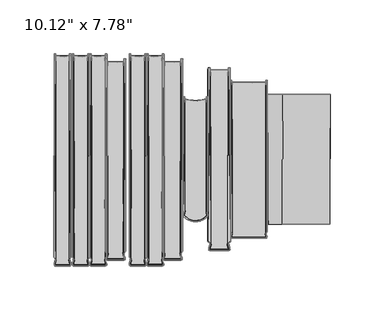
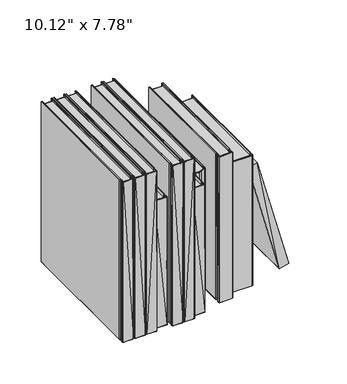
"""IFC4 building model written with IfcOpenShell, lengths in millimetres: furniture geometry."""

from ifc_helpers import new_model, si_unit, origin, place, context, project, spatial, triangles, source, transform, mapped, element, save


def furniture_1064090f(model_context):
    return source(origin(), model_context, "Body", "Tessellation", [
        triangles([(-26.2388167, 91.5414963, 186.1432347), (-16.4661926, 90.8215548, 4.0633324), (-26.2388167, 91.5415054, 4.0633319), (-10.0341236, 91.5414782, 186.1432347), (-10.034118, 91.5414782, 4.0633324), (-10.0340952, -91.972611, 4.0634133), (-26.2388077, -91.9726201, 186.1431075), (-10.0341043, -91.972611, 186.1430712), (-26.2388077, -91.9726201, 4.0633659), (34.0897547, 83.7335245, 214.2735489), (34.0897638, 83.7335245, 3.1053896), (16.5886847, 83.7335245, 3.1053896), (16.5886824, 83.7335336, 214.2735489), (16.5886949, -83.3246287, 3.1054288), (34.0897774, -83.3246015, 214.2734217), (34.0897774, -83.3246105, 3.1054756), (16.5886949, -83.3246105, 214.2734581), (56.2089646, 71.7230885, 190.982892), (68.9523365, 72.0882733, 3.105399), (36.8471899, 72.0882779, 3.105399), (68.9523365, 72.0882779, 190.982892), (36.8471899, 72.0882733, 190.982892), (68.9523683, -72.1332379, 3.1054603), (68.9523683, -72.1332197, 190.982783), (36.8472036, -72.1332515, 3.1054194), (36.8472036, -72.1332379, 190.9828739), (-27.3205639, 96.7570574, 235.4073606), (-27.3205639, 96.757021, 2.9205913), (-35.52959, 96.0318018, 2.9205913), (-40.9325306, 96.7571028, 235.407397), (-40.9325306, 96.7571209, 2.9205913), (-27.3205639, -97.5718605, 2.9206608), (-40.9325124, -97.5718877, 235.4073243), (-40.9325124, -97.5718877, 2.9206165), (-27.3205639, -97.5718605, 235.4071971), (-57.2359504, 96.7571028, 235.407397), (-49.0269357, 96.0317746, 2.9205913), (-57.2359504, 96.7571209, 2.9205913), (-43.6239997, 96.7570574, 235.4073606), (-43.6239997, 96.757021, 2.9205913), (-57.2359323, -97.5718877, 2.9206165), (-43.6239679, -97.5718605, 235.4071971), (-43.6239679, -97.5718605, 2.9206608), (-57.2359323, -97.5718877, 235.4073243), (-79.2387862, 91.5414963, 186.1432347), (-69.4661677, 90.8215548, 4.0633324), (-79.2387862, 91.5415054, 4.0633319), (-63.0340931, 91.5414782, 186.1432347), (-63.0340885, 91.5414782, 4.0633324), (-63.0340703, -91.972611, 4.0634133), (-79.2387771, -91.9726201, 186.1431075), (-63.0340794, -91.972611, 186.1430712), (-79.2387771, -91.9726201, 4.0633659), (-80.3207786, 96.7570574, 235.4073788), (-80.3207786, 96.757021, 2.9205987), (-88.529807, 96.0318018, 2.9205987), (-93.9327385, 96.7571028, 235.4074152), (-93.9327385, 96.7571209, 2.9205987), (-80.3207786, -97.5718605, 2.9206682), (-93.9327294, -97.5718877, 235.4073243), (-93.9327294, -97.5718877, 2.9206242), (-80.3207786, -97.5718605, 235.4071971), (-110.2361583, 96.7571028, 235.4074152), (-102.0271481, 96.0317746, 2.9205987), (-110.2361583, 96.7571209, 2.9205987), (-96.6242075, 96.7570574, 235.4073788), (-96.6242075, 96.757021, 2.9205987), (-110.2361492, -97.5718877, 2.9206242), (-96.6241803, -97.5718605, 235.4071971), (-96.6241803, -97.5718605, 2.9206682), (-110.2361492, -97.5718877, 235.4073243), (-127.236129, 96.7571028, 235.4074152), (-119.0271097, 96.0317746, 2.9205987), (-127.236129, 96.7571209, 2.9205987), (-113.6241692, 96.7570574, 235.4073788), (-113.6241692, 96.757021, 2.9205987), (-127.2361017, -97.5718877, 2.9206242), (-113.6241419, -97.5718605, 235.4071971), (-113.6241419, -97.5718605, 2.9206682), (-127.2361017, -97.5718877, 235.4073243)], [[1, 2, 3], [4, 2, 1], [4, 5, 2], [6, 3, 2], [4, 1, 7], [8, 4, 7], [6, 9, 3], [6, 2, 5], [10, 11, 12], [10, 12, 13], [11, 14, 12], [15, 10, 13], [16, 14, 11], [15, 13, 17], [18, 19, 20], [21, 19, 18], [18, 20, 22], [23, 20, 19], [24, 21, 18], [23, 25, 20], [24, 18, 26], [18, 22, 26], [27, 28, 29], [30, 27, 29], [30, 29, 31], [32, 29, 28], [27, 30, 33], [32, 34, 31], [35, 27, 33], [32, 31, 29], [36, 37, 38], [36, 39, 37], [39, 40, 37], [37, 41, 38], [42, 39, 36], [43, 41, 37], [42, 36, 44], [43, 37, 40], [45, 46, 47], [48, 46, 45], [48, 49, 46], [50, 47, 46], [48, 45, 51], [52, 48, 51], [50, 53, 47], [50, 46, 49], [54, 55, 56], [57, 54, 56], [57, 56, 58], [59, 56, 55], [54, 57, 60], [59, 61, 58], [62, 54, 60], [59, 58, 56], [63, 64, 65], [63, 66, 64], [66, 67, 64], [64, 68, 65], [69, 66, 63], [70, 68, 64], [69, 63, 71], [70, 64, 67], [72, 73, 74], [72, 75, 73], [75, 76, 73], [73, 77, 74], [78, 75, 72], [79, 77, 73], [78, 72, 80], [79, 73, 76]], closed=False),
        triangles([(84.376018, 61.2193056, 169.7966671), (128.1294793, -59.5747566, 4.697604), (128.5817046, 61.2192919, 4.8187806), (70.1279279, 61.2193056, 165.9789132), (114.333619, 61.2192692, 1.0010181), (114.7858533, -59.5747566, 1.1221869), (83.9237836, -59.5747612, 169.6755262), (70.816099, -59.8125464, 166.1633314)], [[1, 2, 3], [4, 5, 6], [1, 7, 2], [4, 6, 8], [7, 6, 2], [7, 8, 6]], closed=False),
        triangles([(84.376018, 61.2193056, 169.7966671), (128.5817046, 61.2192919, 4.8187806), (70.1279279, 61.2193056, 165.9789132), (114.333619, 61.2192692, 1.0010181), (128.1294793, -59.5747566, 4.697604), (114.7858533, -59.5747566, 1.1221869), (83.9237836, -59.5747612, 169.6755262), (70.816099, -59.8125464, 166.1633314)], [[1, 2, 3], [3, 2, 4], [2, 5, 6], [7, 3, 8], [1, 3, 7], [2, 6, 4]], closed=False),
        triangles([(-27.1833835, -98.6009764, 0.2983413), (-41.5703005, -98.2792482, 0.2983413), (-41.8706547, -97.7429983, 0.2983413), (-42.0221034, 98.7659191, 0.2983413), (-41.9477757, -90.5499144, 0.2983413), (-42.2782379, -90.6356287, 237.2324309), (-25.9748544, 97.8052401, 237.2323583), (-26.305303, -90.5499144, 238.0296933), (-26.305303, -90.5499144, 0.2983413), (-42.2782515, 97.8052855, 237.2323946), (-26.2310047, 98.7658555, 0.2983413), (-41.0696861, -98.600931, 238.0296388), (-41.1400851, -98.7657647, 1.09564), (-27.8842309, -98.7081646, 238.0296388), (-40.4851288, 98.7659736, 238.0297115), (-40.4851151, -89.937043, 238.0296933), (-39.8303586, -93.3416862, 232.5076103), (-28.0241365, 92.1126642, 5.8204029), (-28.2064814, -92.0071383, 0.2983413), (-28.4227132, -93.3416862, 5.8204251), (-40.9714, -97.2845415, 238.0296933), (-27.2816878, -97.2845324, 238.0296388), (-40.8208277, -97.2077566, 232.5076103), (-27.7679703, 98.7659464, 238.0296388), (-28.4227132, -93.3416862, 232.5076467), (-27.8714001, -90.9317134, 238.0296933), (-27.5226524, -97.361717, 5.8204251), (-27.4021928, -97.4933042, 0.2983413), (-40.8508995, -97.4933224, 0.2983413), (-40.2289625, 92.1126824, 5.8204029), (-39.8303631, -93.3416862, 5.8204251), (-40.0466017, -92.0071383, 0.2983413), (-27.5226682, -97.3616807, 232.5075558), (-40.5797678, -97.4540897, 5.8204251), (-40.2275409, -94.6777511, 0.2983413), (-40.8559591, -93.2223985, 0.2983413), (-42.0130061, -96.0929264, 1.09564), (-42.0129879, -96.0929264, 237.2323946), (-40.2289762, 92.1127551, 232.507683), (-40.4851288, 98.7658192, 0.2983413), (-28.2634797, -93.3217111, 238.0296025), (-26.2400953, -96.0929264, 237.2323583), (-26.682794, -98.2791756, 238.0295661), (-26.3824308, -97.7429983, 0.2983413), (-27.7679703, 98.7657919, 0.2983413), (-28.0241365, 92.1126461, 232.5076103), (-40.2275455, -94.6777511, 238.0297115), (-42.0214903, -97.8198922, 237.2323946), (-28.0255377, -94.6777511, 0.2983413), (-27.1494534, -94.4028224, 0.2983413), (-27.0428056, -97.885922, 238.2953929), (-27.1494693, -94.4028315, 238.0296388), (-27.8192617, -92.0685081, 238.2954111), (-41.5820322, -91.4214455, 238.0297842), (-40.8974946, -92.1423409, 0.2983413), (-40.8975127, -92.1423409, 238.0297297), (-40.4338374, -92.0685263, 238.2954293), (-41.390515, -96.2164381, 0.0325788), (-40.4338374, -92.0684991, 0.0325788), (-40.3868789, -93.2719321, 238.2954293), (-41.4907496, -96.9386506, 238.2954474), (-27.8192458, -92.0684991, 0.0325788), (-26.8324465, -97.51357, 0.0325788), (-27.3555659, -92.1423409, 238.0297115), (-27.3555818, -92.1423409, 0.2983413), (-26.3843838, -91.4879113, 237.2323401), (-41.5702778, -98.2791847, 238.0296025), (-80.1835959, -98.6009764, 0.2983487), (-94.5705084, -98.2792482, 0.2983487), (-94.8708625, -97.7429983, 0.2983487), (-95.0223159, 98.7659191, 0.2983487), (-94.9479836, -90.5499144, 0.2983487), (-95.2784503, -90.6356287, 237.2324491), (-78.9750668, 97.8052401, 237.2323583), (-79.3055154, -90.5499144, 238.0296933), (-79.3055154, -90.5499144, 0.2983487), (-95.2784685, 97.8052855, 237.2324128), (-79.2312194, 98.7658555, 0.2983487), (-94.069894, -98.600931, 238.029657), (-94.1403021, -98.7657647, 1.0956475), (-80.8844434, -98.7081646, 238.029657), (-93.4853366, 98.7659736, 238.0297115), (-93.4853276, -89.937043, 238.0296933), (-92.830571, -93.3416862, 232.5076103), (-81.0243512, 92.1126642, 5.8204103), (-81.2066984, -92.0071383, 0.2983487), (-81.4229279, -93.3416862, 5.8204324), (-93.9716078, -97.2845415, 238.0296933), (-80.2819002, -97.2845324, 238.029657), (-93.8210447, -97.2077566, 232.5076103), (-80.7681805, 98.7659464, 238.029657), (-81.4229279, -93.3416862, 232.5076467), (-80.871608, -90.9317134, 238.0296933), (-80.5228648, -97.361717, 5.8204324), (-80.4024052, -97.4933042, 0.2983487), (-93.8511119, -97.4933224, 0.2983487), (-93.2291749, 92.1126824, 5.8204103), (-92.8305801, -93.3416862, 5.8204324), (-93.0468187, -92.0071383, 0.2983487), (-80.5228829, -97.3616807, 232.5075558), (-93.5799802, -97.4540897, 5.8204324), (-93.2277488, -94.6777511, 0.2983487), (-93.8561716, -93.2223985, 0.2983487), (-95.0132139, -96.0929264, 1.0956475), (-95.0132049, -96.0929264, 237.2324128), (-93.2291931, 92.1127551, 232.5077012), (-93.4853366, 98.7658192, 0.2983487), (-81.2636898, -93.3217111, 238.0296025), (-79.2403032, -96.0929264, 237.2323583), (-79.6830087, -98.2791756, 238.0295661), (-79.3826455, -97.7429983, 0.2983487), (-80.7681805, 98.7657919, 0.2983487), (-81.0243512, 92.1126461, 232.5076103), (-93.2277579, -94.6777511, 238.0297115), (-95.0216982, -97.8198922, 237.2324128), (-81.0257501, -94.6777511, 0.2983487), (-80.1496681, -94.4028224, 0.2983487), (-80.0430158, -97.885922, 238.2954111), (-80.1496772, -94.4028315, 238.029657), (-80.8194764, -92.0685081, 238.2954111), (-94.5822446, -91.4214455, 238.0298023), (-93.8977115, -92.1423409, 0.2983487), (-93.8977206, -92.1423409, 238.0297478), (-93.4340498, -92.0685263, 238.2954293), (-94.390732, -96.2164381, 0.0325862), (-93.4340498, -92.0684991, 0.0325862), (-93.3870868, -93.2719321, 238.2954293), (-94.490962, -96.9386506, 238.2954656), (-80.8194582, -92.0684991, 0.0325862), (-79.8326544, -97.51357, 0.0325862), (-80.3557783, -92.1423409, 238.0297115), (-80.3557965, -92.1423409, 0.2983487), (-79.3845985, -91.4879113, 237.2323583), (-94.5704902, -98.2791847, 238.0296025)], [[1, 2, 3], [4, 5, 6], [7, 8, 9], [4, 6, 10], [11, 7, 9], [12, 13, 14], [15, 16, 17], [14, 13, 1], [18, 19, 20], [21, 22, 23], [24, 25, 26], [27, 28, 29], [30, 31, 32], [22, 33, 23], [27, 29, 34], [32, 31, 35], [36, 37, 38], [15, 39, 40], [15, 17, 39], [41, 25, 22], [42, 43, 44], [24, 45, 46], [24, 46, 25], [40, 30, 32], [40, 39, 30], [16, 47, 17], [37, 48, 38], [45, 18, 46], [45, 19, 18], [19, 49, 20], [50, 42, 44], [51, 52, 53], [8, 24, 53], [54, 55, 56], [57, 15, 54], [35, 58, 59], [28, 3, 29], [15, 4, 10], [15, 10, 54], [47, 60, 61], [22, 21, 12], [45, 62, 19], [62, 49, 19], [63, 1, 3], [44, 63, 50], [24, 7, 11], [7, 24, 8], [59, 5, 40], [59, 58, 36], [64, 52, 65], [52, 64, 53], [51, 22, 12], [53, 22, 51], [37, 3, 48], [36, 3, 37], [15, 40, 4], [40, 5, 4], [9, 62, 45], [9, 66, 65], [24, 11, 45], [11, 9, 45], [36, 38, 60], [60, 38, 61], [17, 47, 23], [25, 33, 22], [5, 55, 6], [59, 55, 5], [20, 28, 27], [44, 43, 1], [44, 1, 63], [31, 34, 35], [62, 50, 63], [65, 52, 50], [8, 66, 9], [8, 53, 64], [21, 61, 12], [38, 48, 61], [56, 36, 60], [57, 54, 56], [63, 49, 62], [28, 63, 3], [55, 36, 56], [59, 36, 55], [13, 2, 1], [67, 2, 13], [26, 25, 41], [22, 53, 41], [47, 21, 23], [47, 61, 21], [51, 12, 14], [14, 1, 43], [12, 67, 13], [12, 61, 67], [29, 3, 58], [36, 58, 3], [35, 34, 29], [35, 29, 58], [20, 49, 28], [63, 28, 49], [16, 60, 47], [60, 57, 56], [32, 59, 40], [32, 35, 59], [10, 6, 54], [6, 55, 54], [52, 43, 42], [50, 52, 42], [43, 52, 51], [43, 51, 14], [24, 26, 53], [26, 41, 53], [9, 65, 62], [50, 62, 65], [64, 65, 66], [8, 64, 66], [3, 2, 48], [16, 57, 60], [15, 16, 57], [48, 2, 67], [61, 48, 67], [68, 69, 70], [71, 72, 73], [74, 75, 76], [71, 73, 77], [78, 74, 76], [79, 80, 81], [82, 83, 84], [81, 80, 68], [85, 86, 87], [88, 89, 90], [91, 92, 93], [94, 95, 96], [97, 98, 99], [89, 100, 90], [94, 96, 101], [99, 98, 102], [103, 104, 105], [82, 106, 107], [82, 84, 106], [108, 92, 89], [109, 110, 111], [91, 112, 113], [91, 113, 92], [107, 97, 99], [107, 106, 97], [83, 114, 84], [104, 115, 105], [112, 85, 113], [112, 86, 85], [86, 116, 87], [117, 109, 111], [118, 119, 120], [75, 91, 120], [121, 122, 123], [124, 82, 121], [102, 125, 126], [95, 70, 96], [82, 71, 77], [82, 77, 121], [114, 127, 128], [89, 88, 79], [112, 129, 86], [129, 116, 86], [130, 68, 70], [111, 130, 117], [91, 74, 78], [74, 91, 75], [126, 72, 107], [126, 125, 103], [131, 119, 132], [119, 131, 120], [118, 89, 79], [120, 89, 118], [104, 70, 115], [103, 70, 104], [82, 107, 71], [107, 72, 71], [76, 129, 112], [76, 133, 132], [91, 78, 112], [78, 76, 112], [103, 105, 127], [127, 105, 128], [84, 114, 90], [92, 100, 89], [72, 122, 73], [126, 122, 72], [87, 95, 94], [111, 110, 68], [111, 68, 130], [98, 101, 102], [129, 117, 130], [132, 119, 117], [75, 133, 76], [75, 120, 131], [88, 128, 79], [105, 115, 128], [123, 103, 127], [124, 121, 123], [130, 116, 129], [95, 130, 70], [122, 103, 123], [126, 103, 122], [80, 69, 68], [134, 69, 80], [93, 92, 108], [89, 120, 108], [114, 88, 90], [114, 128, 88], [118, 79, 81], [81, 68, 110], [79, 134, 80], [79, 128, 134], [96, 70, 125], [103, 125, 70], [102, 101, 96], [102, 96, 125], [87, 116, 95], [130, 95, 116], [83, 127, 114], [127, 124, 123], [99, 126, 107], [99, 102, 126], [77, 73, 121], [73, 122, 121], [119, 110, 109], [117, 119, 109], [110, 119, 118], [110, 118, 81], [91, 93, 120], [93, 108, 120], [76, 132, 129], [117, 129, 132], [131, 132, 133], [75, 131, 133], [70, 69, 115], [83, 124, 127], [82, 83, 124], [115, 69, 134], [128, 115, 134]], closed=False),
        triangles([(-7.4755663, 56.5611688, 179.3376181), (1.0097064, 54.9502614, 3.1054487), (-7.4755663, 56.5612051, 3.1054311), (13.9018631, 56.5612369, 179.3378361), (13.9018654, 56.5612051, 3.1054132), (5.4166019, 54.9501615, 179.3377635), (-3.3576748, -54.973693, 179.3377271), (1.0097073, -56.4170369, 179.3379088), (9.7839924, -54.9736794, 179.3377271), (5.4166048, -56.4170369, 179.3377271), (13.9018892, -52.179414, 3.1054336), (-7.4755515, -52.1794504, 179.337818), (-7.4755515, -52.179464, 3.1053757), (13.9018688, -52.1794322, 179.3378361), (-3.3576711, -54.9737111, 3.1054189), (5.4166082, -56.417046, 3.1054342), (1.009712, -56.4170506, 3.1053905), (9.7840004, -54.9736748, 3.1053902)], [[1, 2, 3], [4, 5, 6], [6, 7, 8], [9, 6, 10], [6, 5, 2], [11, 2, 5], [6, 1, 12], [6, 2, 1], [6, 12, 7], [11, 13, 3], [4, 9, 14], [11, 15, 13], [11, 3, 2], [11, 16, 17], [6, 8, 10], [4, 6, 9], [11, 17, 15], [11, 18, 16]], closed=False),
        triangles([(-27.5359146, 94.2845884, 189.8881732), (-27.8408606, -85.0877115, 1.2734104), (-27.8408606, -85.0877115, 188.9332352), (-8.4320531, 93.33114, 1.2734106), (-8.4320548, -85.0877115, 188.933326), (-8.4320514, -85.0877115, 1.2734104), (-8.7370218, 94.2846065, 189.8883004), (-27.5359192, 94.284661, 0.3183476), (-26.9980546, -92.674703, 189.8880642), (-26.4021198, -92.9941057, 0.3183476), (-9.7869991, -93.1576495, 1.2734104), (-25.4012384, 87.6806219, 6.9330684), (-24.9267284, -87.7737394, 6.9330752), (-25.1841437, -86.4490837, 0.3183475), (-9.8707978, -92.9940603, 189.8881732), (-10.5667378, 94.2846519, 189.8881732), (-11.2742301, -86.4246666, 183.2735152), (-10.6277704, -86.5099993, 190.2065768), (-25.7061935, 94.2846792, 189.8882277), (-25.5830587, -85.3816071, 189.8882823), (-25.2216414, -89.1466298, 183.2735697), (-9.9878147, -91.6874177, 189.8882641), (-25.8188796, -91.855685, 183.2734971), (-26.2851053, -91.6874268, 189.8882641), (-10.871694, 87.6805674, 6.9330684), (-11.0887695, -86.4490837, 0.3183476), (-11.3461858, -87.7737394, 6.9330814), (-10.1670643, -91.6112323, 6.933082), (-9.9878147, -91.6874268, 0.3183476), (-26.2851007, -91.6874268, 0.3183476), (-10.130735, -91.2709369, 183.2734426), (-25.9982314, -91.7640209, 6.9330814), (-10.873362, -89.0999212, 0.3183476), (-8.9346694, -90.5356439, 0.3183475), (-8.934675, -90.5356529, 189.8881732), (-8.9172666, -92.1424953, 0.3183476), (-25.1163085, -87.7539187, 189.8881732), (-25.3995625, -89.0999303, 189.8882641), (-27.3382364, -90.5356529, 189.8881732), (-27.3556408, -92.1424953, 0.3183476), (-27.3556272, -92.1424589, 189.8881369), (-10.0757726, -86.5832779, 189.8882641), (-9.8304092, -88.8270363, 189.8882459), (-10.0757794, -86.5832779, 0.3183475), (-10.8733529, -89.0999303, 189.8883368), (-26.442513, -88.8270181, 0.3183476), (-25.3995511, -89.0999212, 0.3183476), (-10.5667333, 94.284552, 0.3183476), (-10.8716895, 87.6806492, 183.2736061), (-25.7061935, 94.2845157, 0.3183475), (-25.4012498, 87.6806492, 183.2736061), (-25.6451439, -86.5099902, 0.0), (-27.0120344, -85.8676966, 0.3183476), (-26.1971314, -86.5832779, 0.3183475), (-9.3695407, -91.3440883, 190.2066131), (-9.2748591, -92.6746939, 189.8880642), (-8.8254566, -85.0026331, 0.3183476), (-10.6277647, -86.5099902, 0.0), (-26.5694788, -92.2843471, 190.2065768), (-26.1971428, -86.5832597, 189.8882641), (-8.8254606, -85.0026331, 189.8882641), (-9.4530119, -91.9147566, 0.0), (-26.8198996, -91.9147566, 0.0), (-9.2748387, -92.6747575, 0.3183476), (-27.4474548, -85.0026331, 189.8882823), (-11.1566024, -87.7539096, 189.8881732), (-9.8304001, -88.8270181, 0.3183476), (-80.5358909, 94.2845884, 189.8881732), (-80.8408323, -85.0877115, 1.2734104), (-80.8408323, -85.0877115, 188.9332352), (-61.4320242, 93.33114, 1.2734106), (-61.4320242, -85.0877115, 188.933326), (-61.4320242, -85.0877115, 1.2734104), (-61.7369929, 94.2846065, 189.8883004), (-80.5358909, 94.284661, 0.3183476), (-79.9980331, -92.674703, 189.8880642), (-79.4020847, -92.9941057, 0.3183476), (-62.7869742, -93.1576495, 1.2734104), (-78.4012101, 87.6806219, 6.9330684), (-77.9267024, -87.7737394, 6.9330752), (-78.1841085, -86.4490837, 0.3183475), (-62.8707718, -92.9940603, 189.8881732), (-63.5667141, 94.2846519, 189.8881732), (-64.2742063, -86.4246666, 183.2735152), (-63.6277432, -86.5099993, 190.2065768), (-78.7061697, 94.2846792, 189.8882277), (-78.5830304, -85.3816071, 189.8882823), (-78.2216153, -89.1466298, 183.2735697), (-62.9877887, -91.6874177, 189.8882641), (-78.8188536, -91.855685, 183.2734971), (-79.285077, -91.6874268, 189.8882641), (-63.8716646, 87.6805674, 6.9330684), (-64.088748, -86.4490837, 0.3183476), (-64.3461587, -87.7737394, 6.9330814), (-63.1670337, -91.6112323, 6.933082), (-62.9877887, -91.6874268, 0.3183476), (-79.2850679, -91.6874268, 0.3183476), (-63.1307078, -91.2709369, 183.2734426), (-78.9982122, -91.7640209, 6.9330814), (-63.873336, -89.0999212, 0.3183476), (-61.9346416, -90.5356439, 0.3183475), (-61.9346507, -90.5356529, 189.8881732), (-61.9172372, -92.1424953, 0.3183476), (-78.1162802, -87.7539187, 189.8881732), (-78.3995387, -89.0999303, 189.8882641), (-80.3382103, -90.5356529, 189.8881732), (-80.3556148, -92.1424953, 0.3183476), (-80.3555966, -92.1424589, 189.8881369), (-63.075742, -86.5832779, 189.8882641), (-62.8303809, -88.8270363, 189.8882459), (-63.0757511, -86.5832779, 0.3183475), (-63.8733269, -89.0999303, 189.8883368), (-79.4424892, -88.8270181, 0.3183476), (-78.3995205, -89.0999212, 0.3183476), (-63.566705, 94.284552, 0.3183476), (-63.8716646, 87.6806492, 183.2736061), (-78.7061697, 94.2845157, 0.3183475), (-78.4012192, 87.6806492, 183.2736061), (-78.6451178, -86.5099902, 0.0), (-80.012013, -85.8676966, 0.3183476), (-79.1971099, -86.5832779, 0.3183475), (-62.3695124, -91.3440883, 190.2066131), (-62.2748325, -92.6746939, 189.8880642), (-61.8254323, -85.0026331, 0.3183476), (-63.6277341, -86.5099902, 0.0), (-79.5694528, -92.2843471, 190.2065768), (-79.197119, -86.5832597, 189.8882641), (-61.8254323, -85.0026331, 189.8882641), (-62.4529875, -91.9147566, 0.0), (-79.8198735, -91.9147566, 0.0), (-62.2748144, -92.6747575, 0.3183476), (-80.4474242, -85.0026331, 189.8882823), (-64.1565763, -87.7539096, 189.8881732), (-62.8303718, -88.8270181, 0.3183476)], [[1, 2, 3], [4, 5, 6], [7, 5, 4], [8, 2, 1], [9, 10, 11], [12, 13, 14], [15, 9, 11], [16, 17, 18], [19, 20, 21], [22, 23, 24], [25, 26, 27], [28, 29, 30], [22, 31, 23], [28, 30, 32], [26, 33, 27], [34, 35, 36], [37, 38, 21], [39, 40, 41], [42, 43, 44], [45, 31, 22], [46, 40, 39], [14, 13, 47], [48, 25, 49], [48, 26, 25], [16, 48, 49], [16, 49, 17], [50, 51, 12], [50, 12, 14], [19, 51, 50], [19, 21, 51], [52, 53, 50], [3, 53, 54], [18, 55, 43], [35, 56, 36], [57, 58, 48], [5, 44, 6], [37, 39, 59], [20, 1, 60], [42, 44, 5], [7, 18, 61], [62, 33, 58], [29, 62, 63], [64, 10, 63], [46, 63, 40], [7, 4, 48], [4, 57, 48], [48, 58, 26], [58, 33, 26], [37, 59, 38], [22, 24, 59], [14, 52, 50], [14, 47, 52], [60, 1, 65], [60, 3, 54], [7, 48, 16], [7, 16, 18], [35, 55, 56], [15, 22, 59], [11, 10, 64], [56, 11, 64], [19, 50, 1], [20, 19, 1], [1, 50, 8], [50, 53, 8], [55, 18, 45], [17, 66, 18], [17, 31, 66], [27, 33, 28], [13, 32, 30], [38, 23, 21], [9, 40, 10], [10, 40, 63], [58, 67, 62], [44, 43, 67], [60, 46, 39], [37, 60, 39], [52, 63, 46], [60, 54, 46], [47, 63, 52], [29, 63, 30], [15, 59, 9], [41, 40, 9], [64, 63, 62], [36, 62, 34], [61, 18, 42], [43, 42, 18], [55, 22, 15], [55, 45, 22], [43, 35, 34], [35, 43, 55], [8, 53, 2], [3, 2, 53], [37, 20, 60], [20, 37, 21], [33, 29, 28], [62, 29, 33], [47, 30, 63], [13, 30, 47], [36, 56, 64], [36, 64, 62], [59, 39, 41], [59, 41, 9], [38, 24, 23], [38, 59, 24], [57, 44, 58], [67, 58, 44], [67, 43, 34], [34, 62, 67], [52, 46, 54], [52, 54, 53], [65, 3, 60], [1, 3, 65], [66, 31, 45], [18, 66, 45], [15, 11, 56], [56, 55, 15], [61, 42, 5], [7, 61, 5], [57, 6, 44], [4, 6, 57], [68, 69, 70], [71, 72, 73], [74, 72, 71], [75, 69, 68], [76, 77, 78], [79, 80, 81], [82, 76, 78], [83, 84, 85], [86, 87, 88], [89, 90, 91], [92, 93, 94], [95, 96, 97], [89, 98, 90], [95, 97, 99], [93, 100, 94], [101, 102, 103], [104, 105, 88], [106, 107, 108], [109, 110, 111], [112, 98, 89], [113, 107, 106], [81, 80, 114], [115, 92, 116], [115, 93, 92], [83, 115, 116], [83, 116, 84], [117, 118, 79], [117, 79, 81], [86, 118, 117], [86, 88, 118], [119, 120, 117], [70, 120, 121], [85, 122, 110], [102, 123, 103], [124, 125, 115], [72, 111, 73], [104, 106, 126], [87, 68, 127], [109, 111, 72], [74, 85, 128], [129, 100, 125], [96, 129, 130], [131, 77, 130], [113, 130, 107], [74, 71, 115], [71, 124, 115], [115, 125, 93], [125, 100, 93], [104, 126, 105], [89, 91, 126], [81, 119, 117], [81, 114, 119], [127, 68, 132], [127, 70, 121], [74, 115, 83], [74, 83, 85], [102, 122, 123], [82, 89, 126], [78, 77, 131], [123, 78, 131], [86, 117, 68], [87, 86, 68], [68, 117, 75], [117, 120, 75], [122, 85, 112], [84, 133, 85], [84, 98, 133], [94, 100, 95], [80, 99, 97], [105, 90, 88], [76, 107, 77], [77, 107, 130], [125, 134, 129], [111, 110, 134], [127, 113, 106], [104, 127, 106], [119, 130, 113], [127, 121, 113], [114, 130, 119], [96, 130, 97], [82, 126, 76], [108, 107, 76], [131, 130, 129], [103, 129, 101], [128, 85, 109], [110, 109, 85], [122, 89, 82], [122, 112, 89], [110, 102, 101], [102, 110, 122], [75, 120, 69], [70, 69, 120], [104, 87, 127], [87, 104, 88], [100, 96, 95], [129, 96, 100], [114, 97, 130], [80, 97, 114], [103, 123, 131], [103, 131, 129], [126, 106, 108], [126, 108, 76], [105, 91, 90], [105, 126, 91], [124, 111, 125], [134, 125, 111], [134, 110, 101], [101, 129, 134], [119, 113, 121], [119, 121, 120], [132, 70, 127], [68, 70, 132], [133, 98, 112], [85, 133, 112], [82, 78, 123], [123, 122, 82], [128, 109, 72], [74, 128, 72], [124, 73, 111], [71, 73, 124]], closed=False),
        triangles([(-58.3255142, 98.7659191, 0.2983413), (-58.5816577, -90.6356287, 1.0956289), (-58.5816577, -90.6356287, 237.2324128), (-42.5344404, 98.7658919, 238.0296751), (-42.6087228, -90.5499053, 238.0296751), (-42.2782742, -90.6356287, 1.0956289), (-58.3255142, 98.7658737, 238.0297115), (-42.5344314, 98.7658555, 0.2983413), (-57.4435141, -98.7657193, 237.2324491), (-57.3731196, -98.6009673, 0.2983413), (-43.4164088, -98.7657284, 1.09564), (-56.5323824, 92.1126824, 5.8204029), (-56.1338011, -93.3416862, 5.8204245), (-56.3500216, -92.0071383, 0.2983413), (-43.4868124, -98.6009128, 238.029657), (-56.7885486, 98.7659645, 238.0297115), (-56.788535, -89.937034, 238.0296751), (-56.133792, -93.3416862, 232.5076103), (-43.7056035, -97.4932951, 238.0297115), (-57.1242476, -97.2077566, 232.5076103), (-57.2748243, -97.2845415, 238.0296751), (-44.071397, 98.7659373, 238.0296206), (-44.4784034, -94.7247868, 232.5076285), (-44.1226747, -92.0685081, 238.2954111), (-44.3275632, 92.1126552, 5.8204029), (-44.5099013, -92.0071383, 0.2983413), (-44.7261263, -93.3416862, 5.8204245), (-43.9767261, -97.4540715, 5.8204245), (-43.7056035, -97.4932951, 0.2983413), (-57.1543193, -97.4933133, 0.2983413), (-43.9767261, -97.4540624, 232.5076103), (-57.1242476, -97.2077838, 5.8204245), (-57.3152879, -96.883494, 0.2983413), (-57.4070428, -94.4028224, 0.2983413), (-58.1594724, -96.1241836, 0.2983413), (-58.1594633, -96.1242017, 238.0296751), (-44.3289575, -94.6777602, 238.0297115), (-43.6589812, -92.1423409, 238.0297115), (-42.543506, -96.0929264, 237.2323583), (-43.6589948, -92.1423409, 0.2983413), (-44.071397, 98.7657829, 0.2983413), (-44.3275632, 92.112637, 232.5076103), (-44.3289575, -94.6777602, 0.2983413), (-43.4528664, -94.4028224, 0.2983413), (-42.6858438, -97.7429983, 0.2983413), (-56.5309653, -94.6777602, 238.0297115), (-57.2009371, -92.1423409, 238.0297115), (-56.532396, 92.1127551, 232.507683), (-56.7885577, 98.7658101, 0.2983413), (-42.6087228, -90.5499053, 0.2983413), (-44.1226565, -92.0685081, 0.0325788), (-56.7372572, -92.0685263, 238.2954293), (-57.2287743, -96.3089833, 238.0297115), (-57.5136996, -97.8859129, 238.2953748), (-43.1659971, -96.2164654, 238.2953748), (-42.5860452, -96.9939706, 238.0296206), (-43.4868033, -98.6009673, 0.2983413), (-43.1659971, -96.2164381, 0.0325788), (-57.2009326, -92.1423409, 0.2983413), (-58.2511955, -90.5499144, 238.0297115), (-56.7372572, -92.0685081, 0.0325788), (-57.6939348, -96.2164381, 0.0325788), (-58.174079, -97.7429983, 0.2983413), (-57.8737022, -98.2791847, 238.0295843), (-43.6968195, -98.1093004, 238.2954111), (-58.2511955, -90.5499053, 0.2983413), (-44.5668927, -93.3217111, 238.0295843), (-111.3257266, 98.7659191, 0.2983487), (-111.5818701, -90.6356287, 1.0956364), (-111.5818701, -90.6356287, 237.2324128), (-95.5346483, 98.7658919, 238.0296933), (-95.6089352, -90.5499053, 238.0296933), (-95.2784866, -90.6356287, 1.0956364), (-111.3257266, 98.7658737, 238.0297115), (-95.5346483, 98.7658555, 0.2983487), (-110.4437219, -98.7657193, 237.2324491), (-110.373332, -98.6009673, 0.2983487), (-96.4166257, -98.7657284, 1.0956475), (-109.5325948, 92.1126824, 5.8204103), (-109.134009, -93.3416862, 5.8204324), (-109.3502385, -92.0071383, 0.2983487), (-96.4870248, -98.6009128, 238.029657), (-109.7887565, 98.7659645, 238.0297115), (-109.7887474, -89.937034, 238.0296933), (-109.1339999, -93.3416862, 232.5076103), (-96.7058159, -97.4932951, 238.0297115), (-110.1244645, -97.2077566, 232.5076103), (-110.2750367, -97.2845415, 238.0296933), (-97.0716094, 98.7659373, 238.0296206), (-97.4786158, -94.7247868, 232.5076467), (-97.1228871, -92.0685081, 238.2954111), (-97.3277802, 92.1126552, 5.8204103), (-97.5101182, -92.0071383, 0.2983487), (-97.7263387, -93.3416862, 5.8204324), (-96.9769386, -97.4540715, 5.8204324), (-96.7058159, -97.4932951, 0.2983487), (-110.1545317, -97.4933133, 0.2983487), (-96.9769386, -97.4540624, 232.5076103), (-110.1244645, -97.2077838, 5.8204324), (-110.3155048, -96.883494, 0.2983487), (-110.4072598, -94.4028224, 0.2983487), (-111.1596848, -96.1241836, 0.2983487), (-111.1596757, -96.1242017, 238.0296933), (-97.32917, -94.6777602, 238.0297115), (-96.6591891, -92.1423409, 238.0297115), (-95.543723, -96.0929264, 237.2323583), (-96.6592072, -92.1423409, 0.2983487), (-97.0716094, 98.7657829, 0.2983487), (-97.3277802, 92.112637, 232.5076103), (-97.32917, -94.6777602, 0.2983487), (-96.4530788, -94.4028224, 0.2983487), (-95.6860562, -97.7429983, 0.2983487), (-109.5311777, -94.6777602, 238.0297115), (-110.2011495, -92.1423409, 238.0297115), (-109.5326129, 92.1127551, 232.507683), (-109.7887655, 98.7658101, 0.2983487), (-95.6089352, -90.5499053, 0.2983487), (-97.122869, -92.0685081, 0.0325862), (-109.7374696, -92.0685263, 238.2954293), (-110.2289821, -96.3089833, 238.0297115), (-110.5139121, -97.8859129, 238.2953748), (-96.166205, -96.2164654, 238.2953748), (-95.5862531, -96.9939706, 238.0296206), (-96.4870157, -98.6009673, 0.2983487), (-96.166205, -96.2164381, 0.0325862), (-110.2011405, -92.1423409, 0.2983487), (-111.2514034, -90.5499144, 238.0297115), (-109.7374696, -92.0685081, 0.0325862), (-110.6941518, -96.2164381, 0.0325862), (-111.1742914, -97.7429983, 0.2983487), (-110.8739192, -98.2791847, 238.0296025), (-96.697032, -98.1093004, 238.2954111), (-111.2514034, -90.5499053, 0.2983487), (-97.5671006, -93.3217111, 238.0296025), (-128.3256882, 98.7659191, 0.2983487), (-128.5818227, -90.6356287, 1.0956364), (-128.5818227, -90.6356287, 237.2324128), (-112.5346099, 98.7658919, 238.0296933), (-112.6088968, -90.5499053, 238.0296933), (-112.2784482, -90.6356287, 1.0956364), (-128.3256882, 98.7658737, 238.0297115), (-112.5346009, 98.7658555, 0.2983487), (-127.4436836, -98.7657193, 237.2324491), (-127.3732936, -98.6009673, 0.2983487), (-113.4165783, -98.7657284, 1.0956475), (-126.5325564, 92.1126824, 5.8204103), (-126.1339797, -93.3416862, 5.8204324), (-126.3501911, -92.0071383, 0.2983487), (-113.4869864, -98.6009128, 238.029657), (-126.7887181, 98.7659645, 238.0297115), (-126.788709, -89.937034, 238.0296933), (-126.1339615, -93.3416862, 232.5076103), (-113.7057775, -97.4932951, 238.0297115), (-127.1244262, -97.2077566, 232.5076103), (-127.2749893, -97.2845415, 238.0296933), (-114.071571, 98.7659373, 238.0296206), (-114.4785774, -94.7247868, 232.5076467), (-114.1228487, -92.0685081, 238.2954111), (-114.3277327, 92.1126552, 5.8204103), (-114.5100708, -92.0071383, 0.2983487), (-114.7263003, -93.3416862, 5.8204324), (-113.9769002, -97.4540715, 5.8204324), (-113.7057775, -97.4932951, 0.2983487), (-127.1545024, -97.4933133, 0.2983487), (-113.9769002, -97.4540624, 232.5076103), (-127.1244262, -97.2077838, 5.8204324), (-127.3154574, -96.883494, 0.2983487), (-127.4072214, -94.4028224, 0.2983487), (-128.1596464, -96.1241836, 0.2983487), (-128.1596464, -96.1242017, 238.0296933), (-114.3291316, -94.6777602, 238.0297115), (-113.6591507, -92.1423409, 238.0297115), (-112.5436755, -96.0929264, 237.2323583), (-113.6591688, -92.1423409, 0.2983487), (-114.071571, 98.7657829, 0.2983487), (-114.3277327, 92.112637, 232.5076103), (-114.3291316, -94.6777602, 0.2983487), (-113.4530404, -94.4028224, 0.2983487), (-112.6860178, -97.7429983, 0.2983487), (-126.5311393, -94.6777602, 238.0297115), (-127.2011111, -92.1423409, 238.0297115), (-126.5325655, 92.1127551, 232.507683), (-126.7887362, 98.7658101, 0.2983487), (-112.6088968, -90.5499053, 0.2983487), (-114.1228306, -92.0685081, 0.0325862), (-126.7374312, -92.0685263, 238.2954293), (-127.2289438, -96.3089833, 238.0297115), (-127.5138737, -97.8859129, 238.2953748), (-113.1661666, -96.2164654, 238.2953748), (-112.5862147, -96.9939706, 238.0296206), (-113.4869773, -98.6009673, 0.2983487), (-113.1661666, -96.2164381, 0.0325862), (-127.2011111, -92.1423409, 0.2983487), (-128.2513741, -90.5499144, 238.0297115), (-126.7374312, -92.0685081, 0.0325862), (-127.6941043, -96.2164381, 0.0325862), (-128.174244, -97.7429983, 0.2983487), (-127.8738717, -98.2791847, 238.0296025), (-113.6969936, -98.1093004, 238.2954111), (-128.2513741, -90.5499053, 0.2983487), (-114.5670622, -93.3217111, 238.0296025)], [[1, 2, 3], [4, 5, 6], [1, 3, 7], [4, 6, 8], [9, 10, 11], [12, 13, 14], [15, 9, 11], [16, 17, 18], [19, 20, 21], [22, 23, 24], [25, 26, 27], [28, 29, 30], [19, 31, 20], [28, 30, 32], [14, 13, 33], [34, 35, 36], [37, 31, 19], [38, 39, 40], [41, 25, 42], [41, 26, 25], [22, 41, 42], [22, 42, 23], [26, 43, 27], [44, 39, 45], [17, 46, 18], [47, 34, 36], [16, 48, 49], [16, 18, 48], [49, 48, 12], [49, 12, 14], [6, 38, 40], [50, 51, 41], [52, 36, 53], [19, 21, 54], [55, 37, 19], [56, 15, 11], [57, 10, 29], [58, 43, 51], [3, 59, 47], [52, 7, 60], [14, 61, 49], [14, 33, 61], [4, 24, 5], [56, 38, 24], [29, 10, 30], [61, 33, 62], [53, 36, 54], [36, 63, 64], [51, 44, 58], [50, 40, 51], [55, 65, 15], [15, 65, 54], [61, 66, 49], [2, 59, 3], [56, 11, 45], [58, 57, 29], [4, 22, 24], [4, 41, 22], [7, 49, 1], [49, 66, 1], [16, 49, 7], [17, 7, 16], [4, 8, 41], [8, 50, 41], [18, 21, 20], [30, 10, 62], [63, 10, 64], [13, 32, 33], [37, 23, 31], [27, 29, 28], [18, 53, 21], [53, 54, 21], [61, 62, 34], [59, 34, 47], [5, 38, 6], [5, 24, 38], [39, 56, 45], [38, 56, 39], [64, 10, 9], [15, 64, 9], [10, 63, 62], [35, 63, 36], [55, 24, 37], [24, 23, 67], [40, 39, 44], [44, 51, 40], [52, 47, 36], [52, 60, 47], [33, 32, 30], [62, 33, 30], [27, 43, 29], [58, 29, 43], [45, 11, 57], [11, 10, 57], [46, 52, 53], [18, 46, 53], [41, 51, 26], [51, 43, 26], [15, 54, 64], [54, 36, 64], [17, 52, 46], [7, 17, 52], [56, 24, 55], [56, 55, 15], [61, 59, 66], [61, 34, 59], [55, 19, 65], [65, 19, 54], [60, 3, 47], [7, 3, 60], [66, 59, 2], [1, 66, 2], [50, 6, 40], [8, 6, 50], [67, 23, 37], [24, 67, 37], [45, 57, 58], [44, 45, 58], [62, 63, 35], [34, 62, 35], [68, 69, 70], [71, 72, 73], [68, 70, 74], [71, 73, 75], [76, 77, 78], [79, 80, 81], [82, 76, 78], [83, 84, 85], [86, 87, 88], [89, 90, 91], [92, 93, 94], [95, 96, 97], [86, 98, 87], [95, 97, 99], [81, 80, 100], [101, 102, 103], [104, 98, 86], [105, 106, 107], [108, 92, 109], [108, 93, 92], [89, 108, 109], [89, 109, 90], [93, 110, 94], [111, 106, 112], [84, 113, 85], [114, 101, 103], [83, 115, 116], [83, 85, 115], [116, 115, 79], [116, 79, 81], [73, 105, 107], [117, 118, 108], [119, 103, 120], [86, 88, 121], [122, 104, 86], [123, 82, 78], [124, 77, 96], [125, 110, 118], [70, 126, 114], [119, 74, 127], [81, 128, 116], [81, 100, 128], [71, 91, 72], [123, 105, 91], [96, 77, 97], [128, 100, 129], [120, 103, 121], [103, 130, 131], [118, 111, 125], [117, 107, 118], [122, 132, 82], [82, 132, 121], [128, 133, 116], [69, 126, 70], [123, 78, 112], [125, 124, 96], [71, 89, 91], [71, 108, 89], [74, 116, 68], [116, 133, 68], [83, 116, 74], [84, 74, 83], [71, 75, 108], [75, 117, 108], [85, 88, 87], [97, 77, 129], [130, 77, 131], [80, 99, 100], [104, 90, 98], [94, 96, 95], [85, 120, 88], [120, 121, 88], [128, 129, 101], [126, 101, 114], [72, 105, 73], [72, 91, 105], [106, 123, 112], [105, 123, 106], [131, 77, 76], [82, 131, 76], [77, 130, 129], [102, 130, 103], [122, 91, 104], [91, 90, 134], [107, 106, 111], [111, 118, 107], [119, 114, 103], [119, 127, 114], [100, 99, 97], [129, 100, 97], [94, 110, 96], [125, 96, 110], [112, 78, 124], [78, 77, 124], [113, 119, 120], [85, 113, 120], [108, 118, 93], [118, 110, 93], [82, 121, 131], [121, 103, 131], [84, 119, 113], [74, 84, 119], [123, 91, 122], [123, 122, 82], [128, 126, 133], [128, 101, 126], [122, 86, 132], [132, 86, 121], [127, 70, 114], [74, 70, 127], [133, 126, 69], [68, 133, 69], [117, 73, 107], [75, 73, 117], [134, 90, 104], [91, 134, 104], [112, 124, 125], [111, 112, 125], [129, 130, 102], [101, 129, 102], [135, 136, 137], [138, 139, 140], [135, 137, 141], [138, 140, 142], [143, 144, 145], [146, 147, 148], [149, 143, 145], [150, 151, 152], [153, 154, 155], [156, 157, 158], [159, 160, 161], [162, 163, 164], [153, 165, 154], [162, 164, 166], [148, 147, 167], [168, 169, 170], [171, 165, 153], [172, 173, 174], [175, 159, 176], [175, 160, 159], [156, 175, 176], [156, 176, 157], [160, 177, 161], [178, 173, 179], [151, 180, 152], [181, 168, 170], [150, 182, 183], [150, 152, 182], [183, 182, 146], [183, 146, 148], [140, 172, 174], [184, 185, 175], [186, 170, 187], [153, 155, 188], [189, 171, 153], [190, 149, 145], [191, 144, 163], [192, 177, 185], [137, 193, 181], [186, 141, 194], [148, 195, 183], [148, 167, 195], [138, 158, 139], [190, 172, 158], [163, 144, 164], [195, 167, 196], [187, 170, 188], [170, 197, 198], [185, 178, 192], [184, 174, 185], [189, 199, 149], [149, 199, 188], [195, 200, 183], [136, 193, 137], [190, 145, 179], [192, 191, 163], [138, 156, 158], [138, 175, 156], [141, 183, 135], [183, 200, 135], [150, 183, 141], [151, 141, 150], [138, 142, 175], [142, 184, 175], [152, 155, 154], [164, 144, 196], [197, 144, 198], [147, 166, 167], [171, 157, 165], [161, 163, 162], [152, 187, 155], [187, 188, 155], [195, 196, 168], [193, 168, 181], [139, 172, 140], [139, 158, 172], [173, 190, 179], [172, 190, 173], [198, 144, 143], [149, 198, 143], [144, 197, 196], [169, 197, 170], [189, 158, 171], [158, 157, 201], [174, 173, 178], [178, 185, 174], [186, 181, 170], [186, 194, 181], [167, 166, 164], [196, 167, 164], [161, 177, 163], [192, 163, 177], [179, 145, 191], [145, 144, 191], [180, 186, 187], [152, 180, 187], [175, 185, 160], [185, 177, 160], [149, 188, 198], [188, 170, 198], [151, 186, 180], [141, 151, 186], [190, 158, 189], [190, 189, 149], [195, 193, 200], [195, 168, 193], [189, 153, 199], [199, 153, 188], [194, 137, 181], [141, 137, 194], [200, 193, 136], [135, 200, 136], [184, 140, 174], [142, 140, 184], [201, 157, 171], [158, 201, 171], [179, 191, 192], [178, 179, 192], [196, 197, 169], [168, 196, 169]], closed=False),
        triangles([(35.8199997, 73.5735796, 193.2416204), (35.8200156, -66.8601404, 0.8473514), (36.0717921, -66.7954142, 193.8766289), (69.9795494, 73.5736114, 0.8473418), (69.9795403, -66.860154, 193.2414933), (69.9795494, -66.8601404, 0.8473513), (36.0151709, 74.2063989, 0.211834), (69.7843714, 74.2063989, 193.8766289), (36.6871729, -73.0005132, 193.2414933), (36.7408102, -72.8760886, 0.2118327), (69.0587526, -72.8760886, 0.2118327), (69.112383, -73.0005132, 193.2414933), (68.4181758, 69.8236768, 4.613365), (68.2792444, -67.8960011, 0.2118327), (68.1145061, -68.9039292, 4.6133846), (68.6854741, -72.009876, 4.6133846), (68.8920476, -72.0395072, 0.2118327), (36.9075128, -72.0395072, 0.2118327), (68.6133492, 74.2064262, 193.8766289), (68.1144879, -68.9039292, 189.4779875), (68.5345477, -67.0837596, 193.8766108), (68.8920476, -72.0394981, 193.8765926), (68.8923883, -71.5649359, 189.4779875), (36.9992927, -71.9401038, 189.4780057), (37.1861931, 74.2063581, 0.211834), (37.6850521, -68.9039292, 4.6133846), (37.520307, -67.8960011, 0.2118327), (36.9304198, -71.8238636, 4.6133846), (37.1861931, 74.2064262, 193.8766108), (37.2252691, -67.9423509, 194.0883348), (37.6850589, -68.9039292, 189.4779875), (36.9075128, -72.0394981, 193.8766108), (68.4171039, -69.9130291, 0.2118327), (68.9275651, -67.9981115, 0.2118327), (69.0846004, -69.7053837, 193.8765563), (69.0846004, -69.7053746, 0.2118327), (37.3824543, -69.9130291, 0.2118327), (36.0220995, -70.9818547, 0.8473514), (36.0544921, -71.6623682, 0.2118327), (36.0544989, -71.6623682, 193.8765199), (37.5637273, -68.8888411, 193.8765199), (36.8507848, -71.145026, 193.8765199), (36.8719931, -67.9981115, 193.8766108), (36.7149555, -69.7053746, 0.2118327), (36.7149555, -69.7053837, 193.8765563), (68.9275651, -67.9981115, 193.8766108), (68.2358286, -68.8888411, 193.8765199), (69.0146828, -71.5789112, 193.8766108), (37.3813665, 69.8236814, 189.4781147), (68.6133492, 74.2063762, 0.211834), (68.4181758, 69.8236814, 189.4781329), (37.3813665, 69.8236586, 4.613365), (36.496371, -71.0751493, 194.0882439), (69.6578621, -71.0054724, 193.8765563), (69.1658545, -72.3360235, 194.0882439), (69.4401474, -72.6330575, 193.8765563), (69.6690078, -72.2280949, 0.2118327), (37.2252691, -67.9423373, 1.02e-05), (36.8719999, -67.9981115, 0.2118327), (36.1320446, -67.5038557, 193.2414933), (36.496371, -71.0751402, 1.02e-05), (69.3031826, -71.0751402, 1.02e-05), (68.57428, -67.9423373, 1.02e-05), (69.4490948, -67.4536452, 193.8766289), (69.7277615, -66.7954005, 0.2118327), (36.7408102, -72.8760432, 193.8765199), (69.7774587, -70.9818547, 0.8473513)], [[1, 2, 3], [4, 5, 6], [7, 2, 1], [8, 5, 4], [9, 10, 11], [9, 11, 12], [13, 14, 15], [16, 17, 18], [19, 20, 21], [22, 23, 24], [25, 26, 27], [28, 16, 18], [29, 30, 31], [32, 22, 24], [14, 33, 15], [34, 35, 36], [27, 26, 37], [38, 39, 40], [41, 42, 31], [43, 44, 45], [34, 46, 35], [47, 20, 48], [29, 49, 25], [29, 31, 49], [50, 13, 51], [50, 14, 13], [25, 52, 26], [25, 49, 52], [19, 50, 51], [19, 51, 20], [30, 53, 42], [39, 9, 40], [54, 47, 55], [54, 56, 57], [58, 2, 25], [2, 59, 60], [37, 61, 58], [17, 10, 18], [11, 10, 17], [62, 33, 63], [8, 21, 64], [5, 46, 34], [8, 4, 50], [4, 65, 50], [50, 63, 14], [63, 33, 14], [29, 7, 1], [29, 1, 3], [54, 55, 56], [56, 55, 66], [32, 53, 66], [22, 32, 66], [30, 29, 3], [30, 43, 45], [18, 10, 61], [39, 10, 9], [27, 58, 25], [27, 37, 58], [36, 35, 67], [67, 54, 57], [8, 50, 19], [8, 19, 21], [65, 63, 50], [6, 5, 34], [29, 25, 7], [25, 2, 7], [62, 11, 17], [57, 56, 11], [20, 23, 48], [26, 28, 37], [31, 42, 24], [21, 20, 47], [35, 46, 47], [15, 17, 16], [58, 61, 44], [59, 44, 43], [3, 2, 60], [30, 3, 43], [47, 48, 55], [23, 22, 48], [46, 21, 47], [64, 21, 46], [36, 67, 57], [57, 11, 62], [45, 38, 40], [66, 53, 40], [15, 33, 17], [62, 17, 33], [37, 28, 18], [37, 18, 61], [56, 12, 11], [56, 9, 12], [30, 41, 31], [41, 30, 42], [42, 32, 24], [32, 42, 53], [55, 22, 66], [55, 48, 22], [44, 61, 39], [10, 39, 61], [5, 64, 46], [8, 64, 5], [35, 54, 67], [54, 35, 47], [40, 9, 66], [56, 66, 9], [44, 38, 45], [44, 39, 38], [30, 45, 53], [45, 40, 53], [65, 34, 63], [36, 63, 34], [58, 59, 2], [58, 44, 59], [3, 60, 43], [43, 60, 59], [65, 6, 34], [4, 6, 65], [36, 57, 62], [63, 36, 62]], closed=False),
        triangles([(35.4906253, 85.7183416, 217.0400406), (35.3951051, -75.776116, 217.0400225), (35.8199861, -75.8682706, 1.3553558), (14.858459, 84.6856648, 1.3553539), (14.8584794, -75.8682706, 1.3553558), (15.283357, -75.776116, 217.0400406), (35.4906276, 85.7183416, 0.3388357), (15.1878164, 85.7182599, 217.039968), (16.3218133, -84.6079897, 216.0235874), (16.4123181, -84.4308839, 0.3388357), (34.2661474, -84.4308839, 0.3388357), (34.2661452, -84.4308384, 217.0398953), (33.1851837, 78.5662346, 209.9996819), (32.7504355, -77.3161837, 209.999591), (33.3815584, -76.1865288, 217.0401133), (17.1639142, 85.7184052, 217.0400406), (17.2298474, -77.4085927, 217.3789189), (18.005746, -78.7772409, 209.9996455), (16.5386946, -83.0157359, 217.0400951), (34.1397675, -83.0157359, 217.0400588), (16.848514, -83.0986887, 209.9995547), (17.493267, 78.5662255, 7.3792263), (18.005738, -78.7772409, 7.3792382), (17.2969105, -76.1865379, 0.3388365), (33.9461724, -82.9332373, 7.3792382), (16.5386946, -83.0157631, 0.3388357), (16.7322942, -82.9332373, 7.3792382), (33.5145332, 85.7182508, 0.3388357), (32.9507367, -77.3426265, 0.3388357), (32.6727264, -78.7772409, 7.3792382), (33.9848351, -83.2401862, 0.3388357), (33.9461724, -82.9331918, 209.9995547), (33.1833738, -80.2134905, 0.3388357), (34.0447652, -77.4879755, 0.3388357), (33.9913436, -78.6490238, 217.0398771), (35.2771572, -81.7683829, 0.3388357), (17.7277288, -77.3426265, 0.3388357), (16.5979059, -81.9670263, 0.3388357), (15.4013003, -81.7683829, 0.3388357), (15.3825129, -83.5085928, 0.3388357), (15.4013106, -81.7683829, 217.0400043), (16.6871162, -78.6490148, 217.0400043), (17.4950849, -80.2134814, 217.0400951), (17.4932557, 78.5662618, 209.9996455), (17.1639142, 85.7182508, 0.3388357), (33.1833806, -80.2134905, 217.0401315), (35.2771572, -81.7683829, 217.0400043), (34.9097628, -84.0849566, 217.039859), (35.4898918, -83.591264, 1.3553555), (33.5145377, 85.7184052, 217.0400043), (33.1851792, 78.5661528, 7.3792263), (33.4486101, -77.4085927, 217.3787918), (34.4468868, -83.662208, 217.3787918), (15.768705, -84.0849838, 217.039859), (34.6786313, -81.8675683, 3e-06), (33.4486215, -77.4085927, 3e-06), (35.295956, -83.5085928, 0.3388357), (15.9611147, -83.2619509, 3e-06), (35.3951074, -75.7761296, 0.3388365), (34.044772, -77.4879664, 217.0400406), (17.2298497, -77.4085927, 3e-06), (15.2833581, -75.776116, 0.3388365), (16.6336913, -77.4879392, 217.0400406), (16.633706, -77.4879755, 0.3388357), (15.8709619, -82.6439108, 217.3788281), (32.877474, -78.7557488, 217.0399498), (16.3686945, -79.9179417, 0.3388357), (17.8009938, -78.7557488, 217.0398953)], [[1, 2, 3], [4, 5, 6], [7, 1, 3], [8, 4, 6], [9, 10, 11], [12, 9, 11], [13, 14, 15], [16, 17, 18], [19, 20, 21], [22, 23, 24], [25, 26, 27], [28, 29, 30], [25, 31, 26], [20, 32, 21], [29, 33, 30], [34, 35, 36], [37, 23, 38], [39, 40, 41], [42, 39, 41], [18, 43, 19], [16, 44, 45], [16, 18, 44], [46, 32, 20], [47, 48, 49], [50, 13, 15], [50, 28, 13], [28, 30, 51], [28, 51, 13], [45, 44, 22], [45, 22, 24], [47, 52, 53], [2, 50, 52], [20, 19, 54], [41, 40, 54], [55, 33, 56], [57, 58, 31], [17, 16, 6], [17, 42, 41], [59, 56, 28], [60, 34, 3], [35, 47, 36], [52, 47, 35], [45, 24, 61], [37, 38, 61], [61, 38, 58], [31, 58, 26], [16, 45, 4], [45, 62, 4], [16, 4, 8], [16, 8, 6], [50, 7, 28], [7, 59, 28], [63, 5, 64], [61, 62, 45], [12, 11, 49], [57, 11, 58], [53, 20, 54], [46, 20, 53], [43, 65, 19], [19, 65, 54], [28, 56, 29], [56, 33, 29], [2, 60, 3], [2, 52, 60], [1, 7, 50], [1, 50, 2], [30, 33, 25], [23, 27, 38], [14, 32, 66], [18, 19, 21], [57, 31, 55], [36, 47, 49], [11, 10, 58], [58, 40, 39], [6, 5, 63], [17, 6, 63], [61, 58, 67], [63, 64, 67], [54, 40, 10], [10, 40, 58], [15, 14, 66], [53, 52, 46], [43, 17, 65], [17, 68, 18], [63, 67, 42], [17, 63, 42], [33, 31, 25], [55, 31, 33], [53, 54, 12], [47, 53, 48], [54, 10, 9], [12, 54, 9], [59, 3, 34], [7, 3, 59], [42, 67, 39], [67, 58, 39], [60, 35, 34], [60, 52, 35], [41, 54, 65], [17, 41, 65], [38, 27, 26], [38, 26, 58], [36, 55, 56], [57, 55, 36], [62, 64, 5], [4, 62, 5], [50, 15, 52], [15, 66, 52], [36, 56, 34], [59, 34, 56], [66, 32, 46], [52, 66, 46], [68, 43, 18], [68, 17, 43], [61, 67, 64], [61, 64, 62], [49, 11, 57], [36, 49, 57], [24, 23, 37], [37, 61, 24], [12, 49, 48], [48, 53, 12]], closed=False),
        triangles([(-5.8111324, -54.5183747, 182.2099355), (-8.1470647, -51.6262819, 182.2100809), (-7.921597, -52.6073449, 182.2101899), (14.3463229, -52.6073085, 0.2332335), (12.2358663, -54.5183338, 0.2332335), (8.8694918, -56.2604286, 0.2332335), (-7.535448, -48.7176568, 182.2099537), (-8.1843007, 58.6571618, 182.2099355), (-8.1364515, -47.7511642, 182.2100445), (6.7414212, -56.0888139, 0.2332335), (3.2123615, -56.5706704, 0.233248), (-0.3166813, -56.0888547, 0.2332335), (-6.6936037, -47.9411235, 0.2332335), (-7.4044802, -50.8881411, 0.2332335), (-6.6972951, 58.6572299, 0.2332626), (-8.4321258, -47.8185156, 0.9329047), (14.6090431, 58.6572299, 0.2332626), (14.5611808, -47.7511233, 182.2101535), (14.8584476, -47.8185156, 0.932905), (-8.1843024, 58.6571618, 0.2332626), (14.6090215, 58.6571936, 182.20999), (-7.921597, -52.6073676, 0.2332335), (-2.444746, -56.2604422, 0.2332335), (12.2358617, -54.5183338, 182.2101535), (7.0314658, -56.902913, 182.2101172), (-0.3166851, -56.0888865, 182.2101172), (1.461137, -56.3047164, 177.3641557), (-1.9726325, -55.3499872, 177.3642102), (14.346332, -52.6073085, 182.2101172), (-1.9726417, -55.3499736, 5.0791986), (-3.7011597, -54.7191709, 0.2332335), (13.1220075, 58.6571936, 0.2332626), (13.1183161, -47.9410872, 0.2332335), (13.0991425, -49.4047424, 5.0791986), (13.854455, -51.4779125, 0.2332335), (11.6595445, -53.8320475, 0.2332335), (12.8999632, -52.689194, 5.0791975), (-6.4494593, 53.8110641, 5.0792276), (-7.308947, -50.9105553, 5.0791986), (-6.475227, -52.6892303, 5.0791986), (12.8741881, 53.8110278, 177.3639922), (13.099113, -49.4047197, 177.3641557), (13.2362469, -49.3957041, 182.2100445), (14.2404678, -51.5569638, 182.443297), (12.8999541, -52.689194, 177.3641012), (10.1258888, -54.7191709, 182.2098992), (-6.6972878, 58.6571119, 182.2098083), (-6.8115165, -49.3957313, 182.2100264), (-6.4494405, -47.2659649, 177.3639922), (-3.7011617, -54.7191709, 182.2101172), (-7.3089431, -50.9105371, 177.3640285), (-7.4297336, -51.4779262, 182.2098447), (3.2123701, -56.4258754, 5.0791986), (10.3678764, -55.087585, 182.4431698), (6.6918443, -55.9497644, 177.3641557), (3.2123615, -56.5706613, 182.2098992), (3.2123598, -57.4179024, 182.2101535), (-0.6067418, -56.9029221, 182.20999), (1.2937934, -57.2910388, 0.2332335), (12.8741915, 53.8109823, 5.079227), (13.1220041, 58.6571709, 182.2098447), (-6.449465, 53.8109369, 177.3641557), (-7.5354537, -48.7176568, 0.233248), (-8.1470664, -51.6262865, 0.2332335), (-5.5229533, -54.175009, 0.0), (14.5717997, -51.6262411, 182.2101535), (13.9601785, -48.7176023, 0.2332335), (14.5717986, -51.6262411, 0.2332335), (13.9601728, -48.7176204, 182.2100809), (13.8292079, -50.8881184, 182.2098992), (5.130955, -57.291007, 0.2332335), (14.2404871, -51.5569956, 0.0), (13.7337059, -50.9105144, 5.0791986)], [[1, 2, 3], [4, 5, 6], [7, 8, 9], [10, 11, 12], [13, 14, 15], [8, 16, 9], [17, 18, 19], [20, 16, 8], [17, 21, 18], [1, 22, 23], [24, 25, 6], [3, 22, 1], [26, 27, 28], [29, 5, 4], [30, 12, 31], [32, 33, 34], [35, 36, 37], [38, 39, 13], [30, 31, 40], [41, 42, 43], [44, 45, 46], [47, 48, 49], [50, 51, 52], [53, 37, 10], [54, 55, 56], [57, 58, 59], [32, 34, 60], [32, 60, 41], [61, 41, 43], [32, 41, 61], [15, 47, 62], [47, 49, 62], [53, 10, 11], [58, 23, 59], [15, 62, 38], [15, 38, 13], [63, 64, 2], [14, 39, 65], [66, 29, 4], [44, 54, 24], [33, 35, 34], [67, 66, 68], [46, 45, 55], [7, 63, 2], [47, 7, 48], [67, 69, 66], [43, 42, 70], [37, 36, 10], [25, 71, 6], [15, 14, 63], [14, 64, 63], [48, 7, 2], [50, 52, 2], [50, 2, 1], [58, 1, 23], [50, 28, 51], [65, 64, 14], [23, 22, 65], [17, 67, 33], [68, 33, 67], [61, 17, 32], [17, 33, 32], [66, 4, 68], [4, 6, 72], [26, 28, 50], [57, 26, 58], [54, 56, 57], [24, 54, 25], [21, 17, 61], [21, 61, 18], [47, 8, 7], [8, 47, 15], [69, 61, 43], [44, 69, 43], [10, 59, 12], [6, 71, 10], [65, 22, 64], [2, 64, 22], [63, 16, 20], [9, 16, 63], [8, 15, 20], [15, 63, 20], [24, 5, 29], [29, 44, 24], [13, 39, 14], [36, 6, 10], [36, 6, 72], [59, 23, 12], [12, 23, 65], [48, 52, 51], [48, 2, 52], [73, 35, 37], [42, 45, 70], [26, 50, 58], [58, 50, 1], [68, 72, 33], [68, 4, 72], [53, 11, 30], [66, 69, 44], [66, 44, 29], [54, 57, 25], [57, 71, 25], [2, 22, 3], [39, 40, 65], [19, 67, 17], [19, 69, 67], [57, 59, 71], [10, 71, 59], [49, 48, 51], [24, 6, 5], [40, 31, 65], [12, 65, 31], [9, 63, 7], [26, 56, 27], [56, 26, 57], [56, 55, 27], [34, 35, 73], [72, 36, 35], [72, 35, 33], [18, 61, 69], [18, 69, 19], [30, 11, 12], [70, 45, 44], [43, 70, 44], [46, 55, 54], [44, 46, 54]], closed=False),
    ])


if __name__ == "__main__":
    model = new_model("IFC4")
    model_context = context("Model", 3, world=origin())
    ifc_project = project(units=[si_unit("LENGTHUNIT", "METRE", prefix="MILLI")], contexts=[model_context])
    site = spatial("IfcSite", under=ifc_project)
    building = spatial("IfcBuilding", under=site)
    placement = place(None, origin())
    furniture_shape = furniture_1064090f(model_context)
    element("IfcFurniture", 1, ObjectType="10.12\" x 7.78\"", at=placement, inside=building, context=model_context, shape_type="MappedRepresentation", body=[
        mapped(furniture_shape, transform((0.0, 0.0, 0.0), x_axis=(1.0, 0.0, 0.0), y_axis=(0.0, 1.0, 0.0), z_axis=(0.0, 0.0, 1.0))),
    ])
    save(model, "model.ifc")
